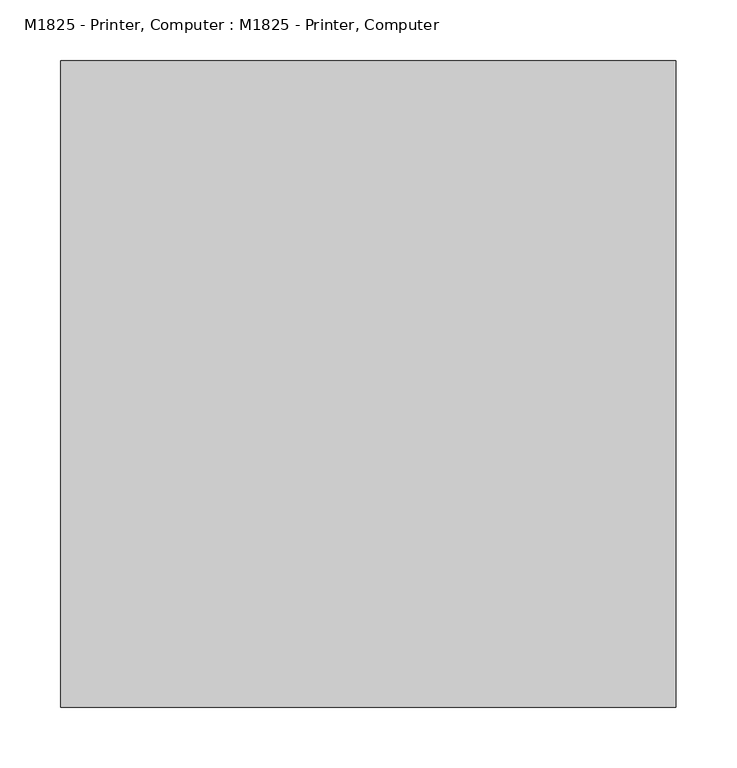
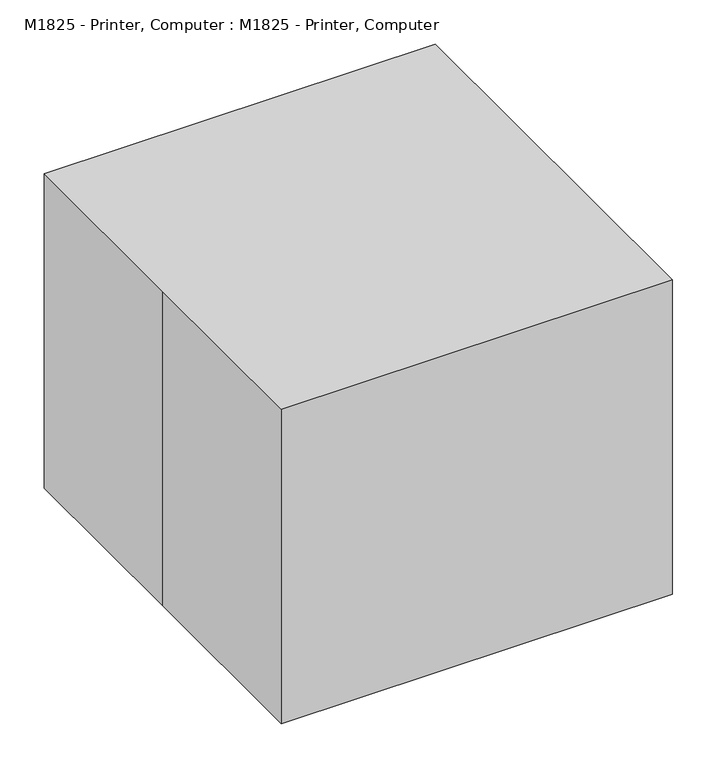
"""IFC4 building model written with IfcOpenShell, lengths in millimetres: proxy geometry, M1825 - Printer, Computer : M1825 - Printer, Computer."""

from ifc_helpers import new_model, si_unit, origin, origin_with_axes, place, context, project, spatial, polyline, outline, extrude, faceted_brep, source, transform, mapped, element, save


def m1825_printer_computer_m1825_printer_computer_25ab0afd(model_context):
    return source(origin(), model_context, "Body", "SolidModel", [
        faceted_brep([(215.9, -254.0, 355.6), (215.9, 177.2046875, 355.6), (0.0, 177.2046875, 355.6), (0.0, -254.0, 355.6), (-215.9, -254.0, 0.0), (-215.9, 177.2046875, 0.0), (215.9, 177.2046875, 0.0), (215.9, -254.0, 0.0), (0.0, -254.0, 322.8074523), (-215.9, -254.0, 322.8074523), (-215.9, -254.0, 177.8), (0.0, -254.0, 177.8), (0.0, -254.0, 82.2650526), (-215.9, -254.0, 120.700198), (-215.9, -195.4931114, 322.8074523), (-215.9, -195.4931114, 254.0), (-215.9, 129.5796875, 254.0), (-215.9, 129.5796875, 322.8074523), (-215.9, 177.2046875, 322.8074523), (-215.9, 177.2046875, 254.0), (-215.9, 254.0, 254.0), (-215.9, 254.0, 177.8), (-215.9, 177.2046875, 120.700198), (215.9, 254.0, 254.0), (215.9, 254.0, 177.8), (215.9, 177.2046875, 177.8), (215.9, 177.2046875, 254.0), (0.0, -195.4931114, 322.8074523), (0.0, 129.5796875, 322.8074523), (0.0, 177.2046875, 322.8074523), (0.0, 129.5796875, 254.0), (0.0, -195.4931114, 254.0), (0.0, 177.2046875, 177.8), (0.0, 177.2046875, 82.2650526)], [[[0, 1, 2, 3]], [[4, 5, 6, 7]], [[7, 0, 3, 8, 9, 10, 11, 12, 13, 4]], [[14, 15, 16, 17, 18, 19, 20, 21, 10, 9]], [[13, 22, 5, 4]], [[23, 24, 21, 20]], [[7, 6, 25, 24, 23, 26, 1, 0]], [[8, 27, 14, 9]], [[28, 29, 18, 17]], [[3, 2, 29, 28, 30, 31, 27, 8]], [[30, 28, 17, 16]], [[30, 16, 15, 31]], [[15, 14, 27, 31]], [[26, 23, 20, 19]], [[19, 18, 29, 2, 1, 26]], [[10, 21, 24, 25, 32, 11]], [[12, 33, 22, 13]], [[11, 32, 33, 12]], [[25, 6, 5, 22, 33, 32]]]),
        extrude(outline(polyline([(-254.0, -266.7), (-254.0, 0.0), (-254.0, 266.7), (254.0, 266.7), (254.0, -266.7), (-254.0, -266.7)])), origin_with_axes(), (0.0, 0.0, 1.0), 431.8),
    ])


if __name__ == "__main__":
    model = new_model("IFC4")
    model_context = context("Model", 3, world=origin())
    ifc_project = project(units=[si_unit("LENGTHUNIT", "METRE", prefix="MILLI")], contexts=[model_context])
    site = spatial("IfcSite", under=ifc_project)
    building = spatial("IfcBuilding", under=site)
    placement = place(None, origin())
    m1825_printer_computer_m1825_printer_computer_shape = m1825_printer_computer_m1825_printer_computer_25ab0afd(model_context)
    element("IfcBuildingElementProxy", 1, Name="M1825 - Printer, Computer : M1825 - Printer, Computer", ObjectType="M1825 - Printer, Computer : M1825 - Printer, Computer", at=placement, inside=building, context=model_context, shape_type="MappedRepresentation", body=[
        mapped(m1825_printer_computer_m1825_printer_computer_shape, transform((0.0, 0.0, 0.0), x_axis=(1.0, 0.0, 0.0), y_axis=(0.0, 1.0, 0.0), z_axis=(0.0, 0.0, 1.0))),
    ])
    save(model, "model.ifc")
